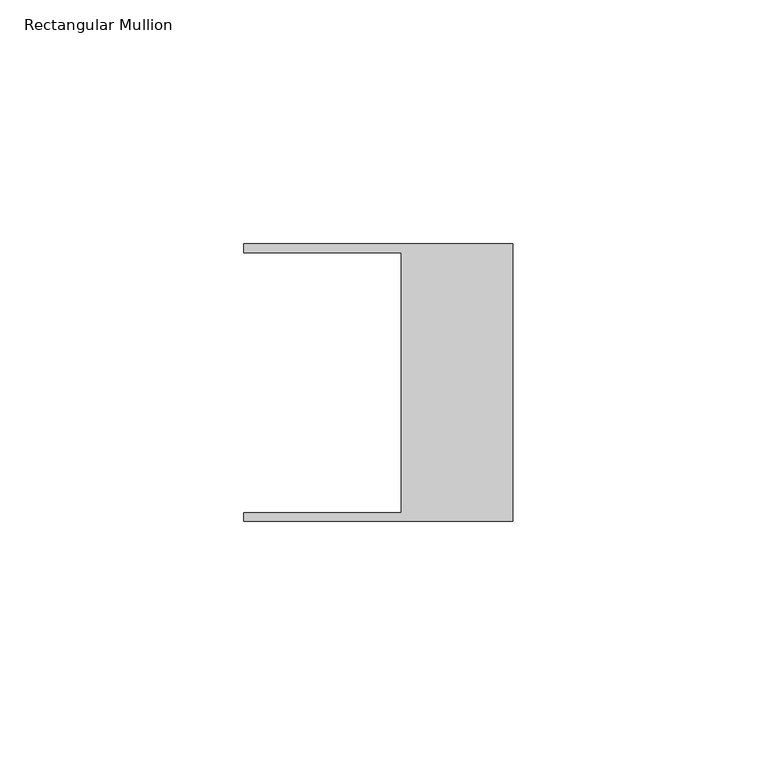
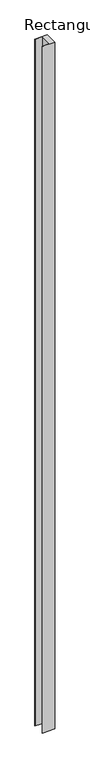
"""IFC4 building model written with IfcOpenShell, lengths in millimetres: member geometry, Rectangular Mullion."""

from ifc_helpers import new_model, si_unit, frame, origin, place, context, project, spatial, polyline, outline, extrude, source, transform, mapped, element, save


def rectangular_mullion_50184a11(model_context):
    return source(origin(), model_context, "Body", "SweptSolid", [
        extrude(outline(polyline([(-55.118, 26.67), (-55.118, 28.448), (0.0, 28.448), (0.0, -28.448), (-55.118, -28.448), (-55.118, -26.67), (-22.86, -26.67), (-22.86, 26.67), (-55.118, 26.67)])), frame((0.0, 0.0, -3217.8625), z_axis=(0.0, 0.0, 1.0), x_axis=(1.0, 0.0, 0.0)), (0.0, 0.0, 1.0), 3217.8625),
    ])


if __name__ == "__main__":
    model = new_model("IFC4")
    model_context = context("Model", 3, world=origin())
    ifc_project = project(units=[si_unit("LENGTHUNIT", "METRE", prefix="MILLI")], contexts=[model_context])
    site = spatial("IfcSite", under=ifc_project)
    building = spatial("IfcBuilding", under=site)
    placement = place(None, origin())
    rectangular_mullion_shape = rectangular_mullion_50184a11(model_context)
    element("IfcMember", 1, ObjectType="Rectangular Mullion", at=placement, inside=building, context=model_context, shape_type="MappedRepresentation", body=[
        mapped(rectangular_mullion_shape, transform((0.0, 0.0, 0.0), x_axis=(1.0, 0.0, 0.0), y_axis=(0.0, 1.0, 0.0), z_axis=(0.0, 0.0, 1.0))),
    ])
    save(model, "model.ifc")
